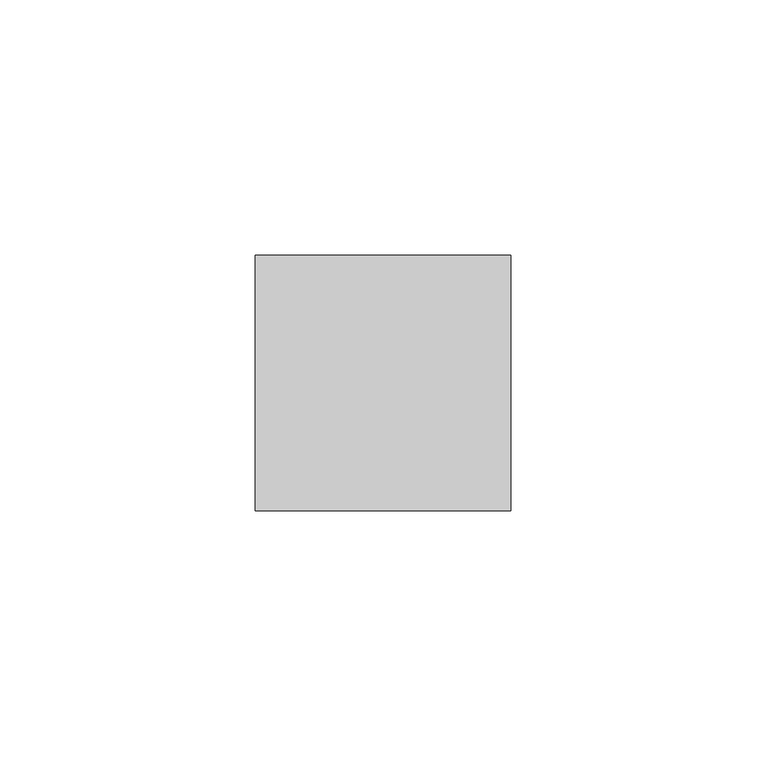
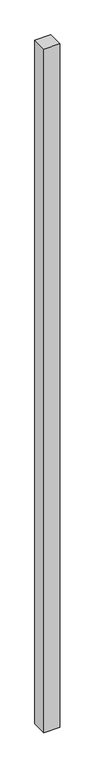
"""IFC4 building model written with IfcOpenShell, lengths in millimetres: member geometry."""

import ifcopenshell
import ifcopenshell.guid

model = None  # the IFC model being written
_history = None  # IfcOwnerHistory: only IFC2X3 demands one
_inside = {}  # id of a spatial element -> (the spatial element, [elements in it])
_under = {}  # id of a project, library or spatial element -> (it, [spatial elements below it])
_declared = {}  # id of a project -> (the project, [libraries it declares])
_typed = {}  # id of a type object -> (the type object, [elements of that type])
_made_of = {}  # id of a material, layer set ... -> (it, [elements and type objects made of it])


def new_model(schema):
    """Start an empty IFC model of exactly this schema.

    Asked for "IFC4X3", IfcOpenShell would pick the latest addendum, in which some entities
    have other attributes; the version numbers below select the first issue.
    IFC2X3 requires an IfcOwnerHistory on every rooted entity: one is made here for all.
    """
    global model, _history
    if schema == "IFC4X3":
        model = ifcopenshell.file(schema_version=(4, 3, 0, 0))
    else:
        model = ifcopenshell.file(schema=schema)
    _inside.clear()
    _under.clear()
    _declared.clear()
    _typed.clear()
    _made_of.clear()
    _history = None
    if model.schema == "IFC2X3":
        org = make("IfcOrganization", Name="unknown")
        user = make(
            "IfcPersonAndOrganization",
            ThePerson=make("IfcPerson", FamilyName="unknown"),
            TheOrganization=org,
        )
        app = make(
            "IfcApplication",
            ApplicationDeveloper=org,
            Version="unknown",
            ApplicationFullName="unknown",
            ApplicationIdentifier="unknown",
        )
        _history = make(
            "IfcOwnerHistory",
            OwningUser=user,
            OwningApplication=app,
            ChangeAction="ADDED",
            CreationDate=0,
        )
    return model


def make(cls, **values):
    """One entity of the class cls with the attributes given. An attribute that is None is left unset."""
    return model.create_entity(
        cls, **{name: value for name, value in values.items() if value is not None}
    )


def rooted(cls, **values):
    """An entity with a GlobalId (a new one), such as an element, a storey or a relation."""
    return make(cls, GlobalId=ifcopenshell.guid.new(), OwnerHistory=_history, **values)


def si_unit(unit_type, name, prefix=None):
    """IfcSIUnit, for example si_unit("LENGTHUNIT", "METRE", prefix="MILLI")."""
    return make("IfcSIUnit", UnitType=unit_type, Prefix=prefix, Name=name)


def assignment(units):
    """IfcUnitAssignment: the units of a project."""
    return None if units is None else make("IfcUnitAssignment", Units=units)


def point(xyz):
    """IfcCartesianPoint."""
    return None if xyz is None else make("IfcCartesianPoint", Coordinates=xyz)


def direction(xyz):
    """IfcDirection."""
    return None if xyz is None else make("IfcDirection", DirectionRatios=xyz)


def frame(location, z_axis=None, x_axis=None):
    """IfcAxis2Placement3D, a coordinate frame: its origin and axes. An axis left out is left unset."""
    return make(
        "IfcAxis2Placement3D",
        Location=point(location),
        Axis=direction(z_axis),
        RefDirection=direction(x_axis),
    )


def origin():
    """The frame at (0, 0, 0) with its axes left unset."""
    return frame((0.0, 0.0, 0.0))


def place(relative_to, where):
    """IfcLocalPlacement: puts the frame where relative to a parent placement (None: the world)."""
    return make(
        "IfcLocalPlacement", PlacementRelTo=relative_to, RelativePlacement=where
    )


def context(
    kind, dimensions, precision=None, world=None, true_north=None, identifier=None
):
    """IfcGeometricRepresentationContext, for example the 3D "Model" context."""
    return make(
        "IfcGeometricRepresentationContext",
        ContextIdentifier=identifier,
        ContextType=kind,
        CoordinateSpaceDimension=dimensions,
        Precision=precision,
        WorldCoordinateSystem=world,
        TrueNorth=true_north,
    )


def project(units=None, contexts=None):
    """IfcProject with its units and contexts."""
    return rooted(
        "IfcProject",
        Name="project",
        RepresentationContexts=contexts,
        UnitsInContext=assignment(units),
    )


def spatial(cls, under=None, at=None, **own):
    """A site, building, storey or space (cls), placed at a placement, below another one or the project."""
    s = rooted(cls, ObjectPlacement=at, **own)
    if under is not None:
        _under.setdefault(under.id(), (under, []))[1].append(s)
    return s


def polyline(points):
    """IfcPolyline through the points."""
    return make("IfcPolyline", Points=[point(p) for p in points])


def outline(outer, holes=None, kind="AREA"):
    """IfcArbitraryClosedProfileDef: a profile drawn as a closed curve; with holes, ...WithVoids."""
    if holes is None:
        return make("IfcArbitraryClosedProfileDef", ProfileType=kind, OuterCurve=outer)
    return make(
        "IfcArbitraryProfileDefWithVoids",
        ProfileType=kind,
        OuterCurve=outer,
        InnerCurves=holes,
    )


def extrude(swept, where, along, depth):
    """IfcExtrudedAreaSolid: the profile swept, set in the frame where, extruded along a direction by depth."""
    return make(
        "IfcExtrudedAreaSolid",
        SweptArea=swept,
        Position=where,
        ExtrudedDirection=direction(along),
        Depth=depth,
    )


def shape(context_of_items, identifier, shape_type, items):
    """IfcShapeRepresentation: the items that make up one representation, for example the "Body"."""
    return make(
        "IfcShapeRepresentation",
        ContextOfItems=context_of_items,
        RepresentationIdentifier=identifier,
        RepresentationType=shape_type,
        Items=items,
    )


def source(mapping_origin, context_of_items, identifier, shape_type, items):
    """IfcRepresentationMap: a shape defined once, which mapped items show again and again."""
    return make(
        "IfcRepresentationMap",
        MappingOrigin=mapping_origin,
        MappedRepresentation=shape(context_of_items, identifier, shape_type, items),
    )


def transform(
    local_origin,
    x_axis=None,
    y_axis=None,
    z_axis=None,
    scale=None,
    scale2=None,
    scale3=None,
    uniform=True,
):
    """IfcCartesianTransformationOperator3D, or its non-uniform kind. x_axis, y_axis, z_axis: its Axis1, 2, 3."""
    if uniform:
        return make(
            "IfcCartesianTransformationOperator3D",
            Axis1=direction(x_axis),
            Axis2=direction(y_axis),
            LocalOrigin=point(local_origin),
            Scale=scale,
            Axis3=direction(z_axis),
        )
    return make(
        "IfcCartesianTransformationOperator3DnonUniform",
        Axis1=direction(x_axis),
        Axis2=direction(y_axis),
        LocalOrigin=point(local_origin),
        Scale=scale,
        Axis3=direction(z_axis),
        Scale2=scale2,
        Scale3=scale3,
    )


def mapped(mapping_source, mapping_target):
    """IfcMappedItem: shows the shape of a source again, moved by a transform."""
    return make(
        "IfcMappedItem", MappingSource=mapping_source, MappingTarget=mapping_target
    )


def made_of(thing, what):
    """Note that an element or type object is made of a material, layer set ...; save() writes the relation."""
    if what is not None:
        _made_of.setdefault(what.id(), (what, []))[1].append(thing)
    return thing


def element(
    cls,
    number,
    at=None,
    inside=None,
    cuts=None,
    type_object=None,
    material=None,
    context=None,
    identifier="Body",
    shape_type=None,
    held_by="IfcProductDefinitionShape",
    body=None,
    shapes=None,
    **own,
):
    """One element of the class cls, such as IfcWall. Its Tag is "e" and its number.

    at: its placement. inside: the storey or other place that contains it. cuts: it is an
    opening in that element (IfcRelVoidsElement). A single representation is given by context,
    identifier, shape_type and body (its items); several are given by shapes. held_by: the class
    of the entity that holds the representations. save() writes the other relations.
    """
    e = rooted(cls, Tag="e%d" % number, ObjectPlacement=at, **own)
    if body is not None:
        shapes = [shape(context, identifier, shape_type, body)]
    if shapes is not None:
        e.Representation = make(held_by, Representations=shapes)
    if inside is not None:
        _inside.setdefault(inside.id(), (inside, []))[1].append(e)
    if cuts is not None:
        rooted(
            "IfcRelVoidsElement", RelatingBuildingElement=cuts, RelatedOpeningElement=e
        )
    if type_object is not None:
        _typed.setdefault(type_object.id(), (type_object, []))[1].append(e)
    return made_of(e, material)


def aggregate(whole, parts):
    """IfcRelAggregates: a whole, such as a stair, and the parts it consists of."""
    return rooted("IfcRelAggregates", RelatingObject=whole, RelatedObjects=parts)


def save(model, path):
    """Write the relations noted so far, then the file.

    IfcRelAggregates (storeys below a building ...), IfcRelContainedInSpatialStructure (elements
    in a storey), IfcRelDefinesByType, IfcRelAssociatesMaterial and IfcRelDeclares: one each for
    every whole, place, type object, material and project.
    """
    for whole, parts in _under.values():
        aggregate(whole, parts)
    for where, things in _inside.values():
        rooted(
            "IfcRelContainedInSpatialStructure",
            RelatedElements=things,
            RelatingStructure=where,
        )
    for kind, things in _typed.values():
        rooted("IfcRelDefinesByType", RelatedObjects=things, RelatingType=kind)
    for what, things in _made_of.values():
        rooted("IfcRelAssociatesMaterial", RelatedObjects=things, RelatingMaterial=what)
    for by, libraries in _declared.values():
        rooted("IfcRelDeclares", RelatingContext=by, RelatedDefinitions=libraries)
    model.write(path)


def member_3dc05bec(model_context):
    return source(origin(), model_context, "Body", "SweptSolid", [
        extrude(outline(polyline([(0.0, 25.0), (0.0, -25.0), (-50.0, -25.0), (-50.0, 25.0), (0.0, 25.0)])), frame((0.0, 0.0, -2300.0), z_axis=(0.0, 0.0, 1.0), x_axis=(1.0, 0.0, 0.0)), (0.0, 0.0, 1.0), 2300.0),
    ])


if __name__ == "__main__":
    model = new_model("IFC4")
    model_context = context("Model", 3, world=origin())
    ifc_project = project(units=[si_unit("LENGTHUNIT", "METRE", prefix="MILLI")], contexts=[model_context])
    site = spatial("IfcSite", under=ifc_project)
    building = spatial("IfcBuilding", under=site)
    placement = place(None, origin())
    member_shape = member_3dc05bec(model_context)
    element("IfcMember", 1, at=placement, inside=building, context=model_context, shape_type="MappedRepresentation", body=[
        mapped(member_shape, transform((0.0, 0.0, 0.0), x_axis=(1.0, 0.0, 0.0), y_axis=(0.0, 1.0, 0.0), z_axis=(0.0, 0.0, 1.0))),
    ])
    save(model, "model.ifc")
